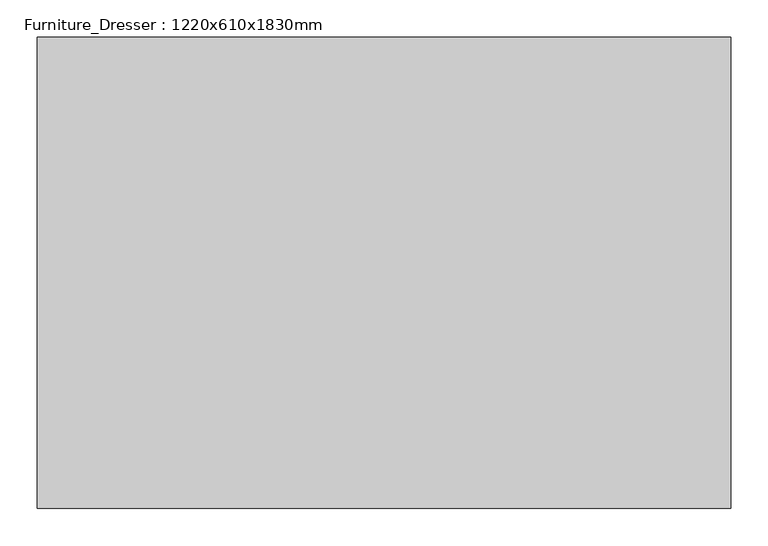
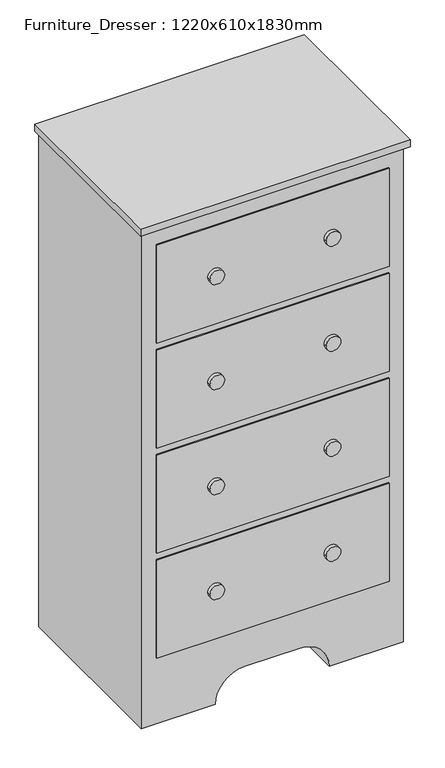
"""IFC4 building model written with IfcOpenShell, lengths in millimetres: furniture geometry, Furniture_Dresser : 1220x610x1830mm."""

from ifc_helpers import new_model, si_unit, point, frame, frame_2d, origin, place, context, project, spatial, polyline, circle_curve, trimmed, segment, composite_curve, outline, extrude, source, transform, mapped, element, save


def furniture_dresser_1220x610x1830mm_9537db86(model_context):
    return source(origin(), model_context, "Body", "SweptSolid", [
        extrude(outline(polyline([(193.5067402, -58.1629541), (193.5067402, -687.2129541), (-731.8932598, -687.2129541), (-731.8932598, -58.1629541), (193.5067402, -58.1629541)])), frame((0.0, 0.0, 1804.6), z_axis=(0.0, 0.0, 1.0), x_axis=(1.0, 0.0, 0.0)), (0.0, 0.0, 1.0), 25.4),
        extrude(outline(composite_curve([segment(polyline([(0.0, 180.8067402), (1804.6, 180.8067402), (1804.6, -719.1932598), (0.0, -719.1932598), (0.0, -465.1932598)]), True, "CONTINUOUS"), segment(trimmed(circle_curve(frame_2d((0.0, -363.5932598)), 101.6), [point((0.0, -465.1932598))], [point((101.6, -363.5932598))], True, "CARTESIAN"), True, "CONTINUOUS"), segment(polyline([(101.6, -363.5932598), (101.6, -174.7932598)]), True, "CONTINUOUS"), segment(trimmed(circle_curve(frame_2d((0.0, -174.7932598)), 101.6), [point((101.6, -174.7932598))], [point((0.0, -73.1932598))], True, "CARTESIAN"), True, "CONTINUOUS"), segment(polyline([(0.0, -73.1932598), (0.0, 180.8067402)]), True, "CONTINUOUS")], self_intersect=False)), frame((0.0, -668.1629541, 0.0), z_axis=(0.0, 1.0, 0.0), x_axis=(0.0, 0.0, 1.0)), (0.0, 0.0, 1.0), 610.0),
        extrude(outline(composite_curve([segment(trimmed(circle_curve(frame_2d((1563.15, -69.5932598)), 25.4), [point((1563.15, -94.9932598))], [point((1563.15, -44.1932598))], False, "CARTESIAN"), True, "CONTINUOUS"), segment(trimmed(circle_curve(frame_2d((1563.15, -69.5932598)), 25.4), [point((1563.15, -44.1932598))], [point((1563.15, -94.9932598))], False, "CARTESIAN"), True, "CONTINUOUS")], self_intersect=False)), frame((0.0, -687.2129541, 0.0), z_axis=(0.0, 1.0, 0.0), x_axis=(0.0, 0.0, 1.0)), (0.0, 0.0, 1.0), 12.7),
        extrude(outline(composite_curve([segment(trimmed(circle_curve(frame_2d((1181.85, -69.5932598)), 25.4), [point((1181.85, -94.9932598))], [point((1181.85, -44.1932598))], False, "CARTESIAN"), True, "CONTINUOUS"), segment(trimmed(circle_curve(frame_2d((1181.85, -69.5932598)), 25.4), [point((1181.85, -44.1932598))], [point((1181.85, -94.9932598))], False, "CARTESIAN"), True, "CONTINUOUS")], self_intersect=False)), frame((0.0, -687.2129541, 0.0), z_axis=(0.0, 1.0, 0.0), x_axis=(0.0, 0.0, 1.0)), (0.0, 0.0, 1.0), 12.7),
        extrude(outline(composite_curve([segment(trimmed(circle_curve(frame_2d((800.55, -69.5932598)), 25.4), [point((800.55, -94.9932598))], [point((800.55, -44.1932598))], False, "CARTESIAN"), True, "CONTINUOUS"), segment(trimmed(circle_curve(frame_2d((800.55, -69.5932598)), 25.4), [point((800.55, -44.1932598))], [point((800.55, -94.9932598))], False, "CARTESIAN"), True, "CONTINUOUS")], self_intersect=False)), frame((0.0, -687.2129541, 0.0), z_axis=(0.0, 1.0, 0.0), x_axis=(0.0, 0.0, 1.0)), (0.0, 0.0, 1.0), 12.7),
        extrude(outline(composite_curve([segment(trimmed(circle_curve(frame_2d((419.25, -69.5932598)), 25.4), [point((419.25, -94.9932598))], [point((419.25, -44.1932598))], False, "CARTESIAN"), True, "CONTINUOUS"), segment(trimmed(circle_curve(frame_2d((419.25, -69.5932598)), 25.4), [point((419.25, -44.1932598))], [point((419.25, -94.9932598))], False, "CARTESIAN"), True, "CONTINUOUS")], self_intersect=False)), frame((0.0, -687.2129541, 0.0), z_axis=(0.0, 1.0, 0.0), x_axis=(0.0, 0.0, 1.0)), (0.0, 0.0, 1.0), 12.7),
        extrude(outline(composite_curve([segment(trimmed(circle_curve(frame_2d((419.25, -468.7932598)), 25.4), [point((419.25, -494.1932598))], [point((419.25, -443.3932598))], False, "CARTESIAN"), True, "CONTINUOUS"), segment(trimmed(circle_curve(frame_2d((419.25, -468.7932598)), 25.4), [point((419.25, -443.3932598))], [point((419.25, -494.1932598))], False, "CARTESIAN"), True, "CONTINUOUS")], self_intersect=False)), frame((0.0, -687.2129541, 0.0), z_axis=(0.0, 1.0, 0.0), x_axis=(0.0, 0.0, 1.0)), (0.0, 0.0, 1.0), 12.7),
        extrude(outline(composite_curve([segment(trimmed(circle_curve(frame_2d((800.55, -468.7932598)), 25.4), [point((800.55, -494.1932598))], [point((800.55, -443.3932598))], False, "CARTESIAN"), True, "CONTINUOUS"), segment(trimmed(circle_curve(frame_2d((800.55, -468.7932598)), 25.4), [point((800.55, -443.3932598))], [point((800.55, -494.1932598))], False, "CARTESIAN"), True, "CONTINUOUS")], self_intersect=False)), frame((0.0, -687.2129541, 0.0), z_axis=(0.0, 1.0, 0.0), x_axis=(0.0, 0.0, 1.0)), (0.0, 0.0, 1.0), 12.7),
        extrude(outline(composite_curve([segment(trimmed(circle_curve(frame_2d((1181.85, -468.7932598)), 25.4), [point((1181.85, -494.1932598))], [point((1181.85, -443.3932598))], False, "CARTESIAN"), True, "CONTINUOUS"), segment(trimmed(circle_curve(frame_2d((1181.85, -468.7932598)), 25.4), [point((1181.85, -443.3932598))], [point((1181.85, -494.1932598))], False, "CARTESIAN"), True, "CONTINUOUS")], self_intersect=False)), frame((0.0, -687.2129541, 0.0), z_axis=(0.0, 1.0, 0.0), x_axis=(0.0, 0.0, 1.0)), (0.0, 0.0, 1.0), 12.7),
        extrude(outline(composite_curve([segment(trimmed(circle_curve(frame_2d((1563.15, -468.7932598)), 25.4), [point((1563.15, -494.1932598))], [point((1563.15, -443.3932598))], False, "CARTESIAN"), True, "CONTINUOUS"), segment(trimmed(circle_curve(frame_2d((1563.15, -468.7932598)), 25.4), [point((1563.15, -443.3932598))], [point((1563.15, -494.1932598))], False, "CARTESIAN"), True, "CONTINUOUS")], self_intersect=False)), frame((0.0, -687.2129541, 0.0), z_axis=(0.0, 1.0, 0.0), x_axis=(0.0, 0.0, 1.0)), (0.0, 0.0, 1.0), 12.7),
        extrude(outline(polyline([(130.0067402, -674.5129541), (-668.3932598, -674.5129541), (-668.3932598, -668.1629541), (130.0067402, -668.1629541), (130.0067402, -674.5129541)])), frame((0.0, 0.0, 1385.2), z_axis=(0.0, 0.0, 1.0), x_axis=(1.0, 0.0, 0.0)), (0.0, 0.0, 1.0), 355.9),
        extrude(outline(polyline([(130.0067402, -674.5129541), (-668.3932598, -674.5129541), (-668.3932598, -668.1629541), (130.0067402, -668.1629541), (130.0067402, -674.5129541)])), frame((0.0, 0.0, 1003.9), z_axis=(0.0, 0.0, 1.0), x_axis=(1.0, 0.0, 0.0)), (0.0, 0.0, 1.0), 355.9),
        extrude(outline(polyline([(130.0067402, -674.5129541), (-668.3932598, -674.5129541), (-668.3932598, -668.1629541), (130.0067402, -668.1629541), (130.0067402, -674.5129541)])), frame((0.0, 0.0, 622.6), z_axis=(0.0, 0.0, 1.0), x_axis=(1.0, 0.0, 0.0)), (0.0, 0.0, 1.0), 355.9),
        extrude(outline(polyline([(130.0067402, -674.5129541), (-668.3932598, -674.5129541), (-668.3932598, -668.1629541), (130.0067402, -668.1629541), (130.0067402, -674.5129541)])), frame((0.0, 0.0, 241.3), z_axis=(0.0, 0.0, 1.0), x_axis=(1.0, 0.0, 0.0)), (0.0, 0.0, 1.0), 355.9),
    ])


if __name__ == "__main__":
    model = new_model("IFC4")
    model_context = context("Model", 3, world=origin())
    ifc_project = project(units=[si_unit("LENGTHUNIT", "METRE", prefix="MILLI")], contexts=[model_context])
    site = spatial("IfcSite", under=ifc_project)
    building = spatial("IfcBuilding", under=site)
    placement = place(None, origin())
    furniture_dresser_1220x610x1830mm_shape = furniture_dresser_1220x610x1830mm_9537db86(model_context)
    element("IfcFurniture", 1, ObjectType="Furniture_Dresser : 1220x610x1830mm", at=placement, inside=building, context=model_context, shape_type="MappedRepresentation", body=[
        mapped(furniture_dresser_1220x610x1830mm_shape, transform((0.0, 0.0, 0.0), x_axis=(1.0, 0.0, 0.0), y_axis=(0.0, 1.0, 0.0), z_axis=(0.0, 0.0, 1.0))),
    ])
    save(model, "model.ifc")
